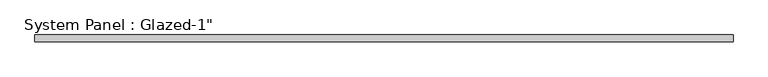
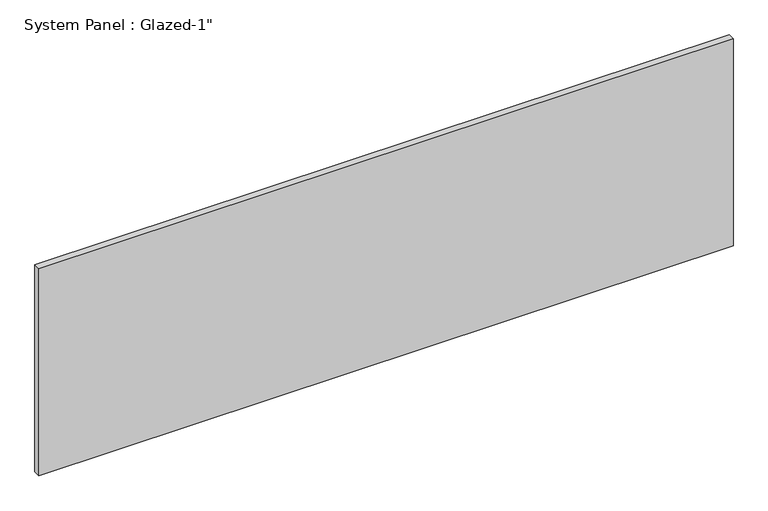
"""IFC4 building model written with IfcOpenShell, lengths in millimetres: plate geometry."""

from ifc_helpers import new_model, si_unit, origin, origin_with_axes, place, context, project, spatial, polyline, outline, extrude, source, transform, mapped, element, save


def plate_3fb601a5(model_context):
    return source(origin(), model_context, "Body", "SweptSolid", [
        extrude(outline(polyline([(1289.05, 25.4), (-1289.05, 25.4), (-1289.05, 50.8), (1289.05, 50.8), (1289.05, 25.4)])), origin_with_axes(), (0.0, 0.0, 1.0), 812.8),
    ])


if __name__ == "__main__":
    model = new_model("IFC4")
    model_context = context("Model", 3, world=origin())
    ifc_project = project(units=[si_unit("LENGTHUNIT", "METRE", prefix="MILLI")], contexts=[model_context])
    site = spatial("IfcSite", under=ifc_project)
    building = spatial("IfcBuilding", under=site)
    placement = place(None, origin())
    plate_shape = plate_3fb601a5(model_context)
    element("IfcPlate", 1, ObjectType="System Panel : Glazed-1\"", at=placement, inside=building, context=model_context, shape_type="MappedRepresentation", body=[
        mapped(plate_shape, transform((0.0, 0.0, 0.0), x_axis=(1.0, 0.0, 0.0), y_axis=(0.0, 1.0, 0.0), z_axis=(0.0, 0.0, 1.0))),
    ])
    save(model, "model.ifc")
